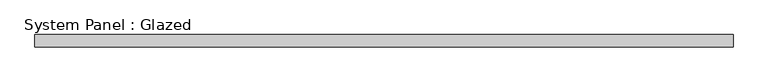
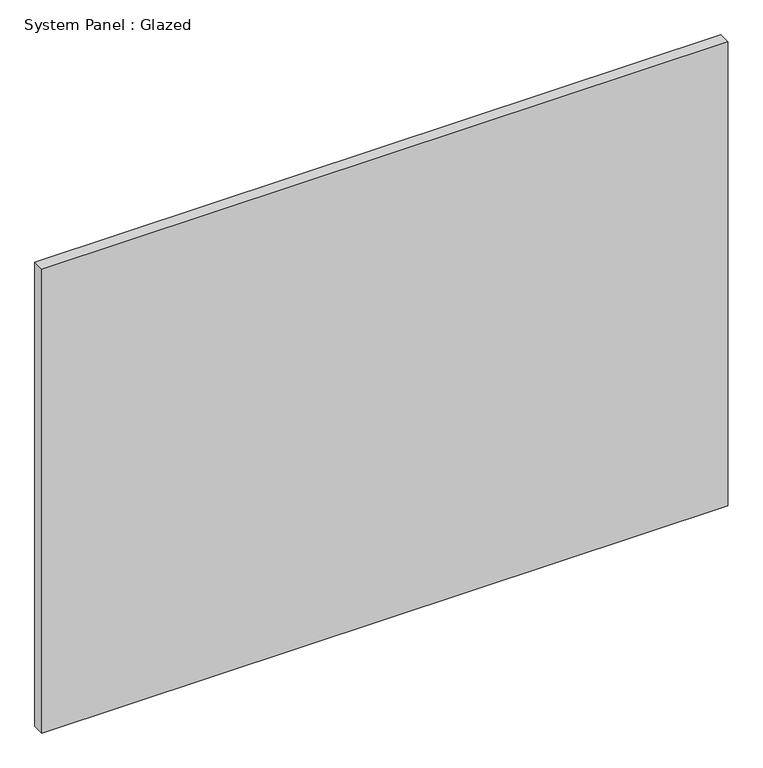
"""IFC4 building model written with IfcOpenShell, lengths in millimetres: plate geometry, System Panel : Glazed."""

from ifc_helpers import new_model, si_unit, origin, origin_with_axes, place, context, project, spatial, polyline, outline, extrude, source, transform, mapped, element, save


def system_panel_glazed_a5845042(model_context):
    return source(origin(), model_context, "Body", "SweptSolid", [
        extrude(outline(polyline([(700.0, 24.5), (-700.0, 24.5), (-700.0, 49.5), (700.0, 49.5), (700.0, 24.5)])), origin_with_axes(), (0.0, 0.0, 1.0), 1000.0),
    ])


if __name__ == "__main__":
    model = new_model("IFC4")
    model_context = context("Model", 3, world=origin())
    ifc_project = project(units=[si_unit("LENGTHUNIT", "METRE", prefix="MILLI")], contexts=[model_context])
    site = spatial("IfcSite", under=ifc_project)
    building = spatial("IfcBuilding", under=site)
    placement = place(None, origin())
    system_panel_glazed_shape = system_panel_glazed_a5845042(model_context)
    element("IfcPlate", 1, ObjectType="System Panel : Glazed", at=placement, inside=building, context=model_context, shape_type="MappedRepresentation", body=[
        mapped(system_panel_glazed_shape, transform((0.0, 0.0, 0.0), x_axis=(1.0, 0.0, 0.0), y_axis=(0.0, 1.0, 0.0), z_axis=(0.0, 0.0, 1.0))),
    ])
    save(model, "model.ifc")
